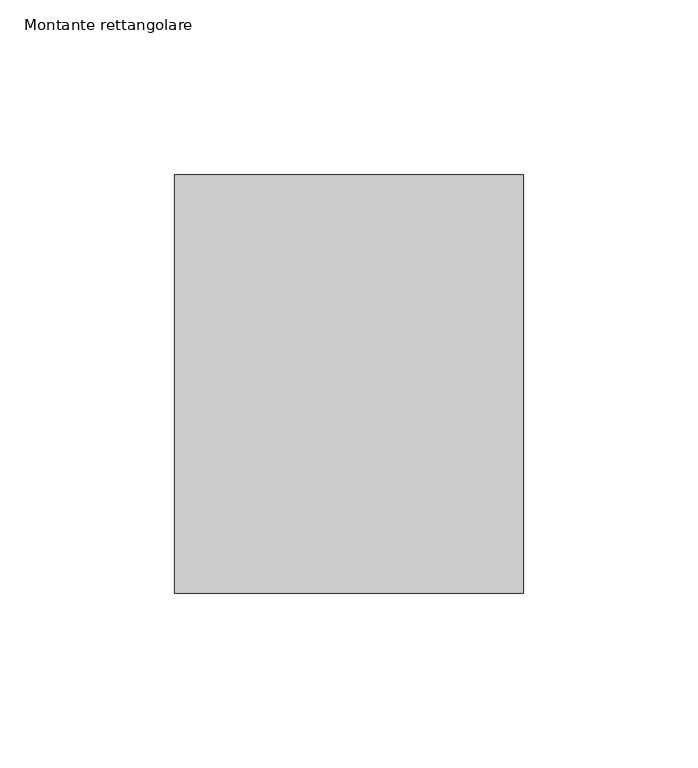
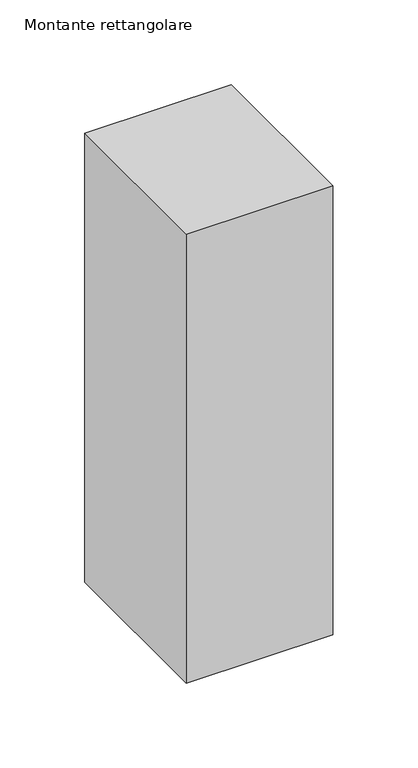
"""IFC4 building model written with IfcOpenShell, lengths in millimetres: member geometry, Montante rettangolare."""

from ifc_helpers import new_model, si_unit, frame, origin, place, context, project, spatial, polyline, outline, extrude, source, transform, mapped, element, save


def montante_rettangolare_ebdbd07b(model_context):
    return source(origin(), model_context, "Body", "SweptSolid", [
        extrude(outline(polyline([(50.0, 60.0), (50.0, -60.0), (-50.0, -60.0), (-50.0, 60.0), (50.0, 60.0)])), frame((0.0, 0.0, -323.8179046), z_axis=(0.0, 0.0, 1.0), x_axis=(1.0, 0.0, 0.0)), (0.0, 0.0, 1.0), 323.8179046),
    ])


if __name__ == "__main__":
    model = new_model("IFC4")
    model_context = context("Model", 3, world=origin())
    ifc_project = project(units=[si_unit("LENGTHUNIT", "METRE", prefix="MILLI")], contexts=[model_context])
    site = spatial("IfcSite", under=ifc_project)
    building = spatial("IfcBuilding", under=site)
    placement = place(None, origin())
    montante_rettangolare_shape = montante_rettangolare_ebdbd07b(model_context)
    element("IfcMember", 1, ObjectType="Montante rettangolare", at=placement, inside=building, context=model_context, shape_type="MappedRepresentation", body=[
        mapped(montante_rettangolare_shape, transform((0.0, 0.0, 0.0), x_axis=(1.0, 0.0, 0.0), y_axis=(0.0, 1.0, 0.0), z_axis=(0.0, 0.0, 1.0))),
    ])
    save(model, "model.ifc")
